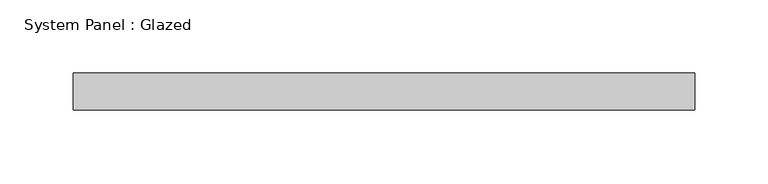
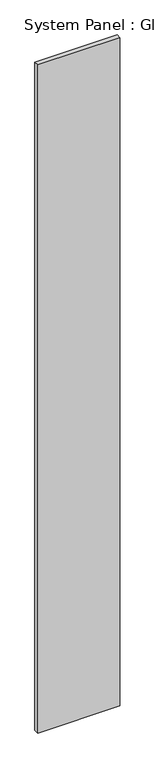
"""IFC4 building model written with IfcOpenShell, lengths in millimetres: plate geometry, System Panel : Glazed."""

import ifcopenshell
import ifcopenshell.guid

model = None  # the IFC model being written
_history = None  # IfcOwnerHistory: only IFC2X3 demands one
_inside = {}  # id of a spatial element -> (the spatial element, [elements in it])
_under = {}  # id of a project, library or spatial element -> (it, [spatial elements below it])
_declared = {}  # id of a project -> (the project, [libraries it declares])
_typed = {}  # id of a type object -> (the type object, [elements of that type])
_made_of = {}  # id of a material, layer set ... -> (it, [elements and type objects made of it])


def new_model(schema):
    """Start an empty IFC model of exactly this schema.

    Asked for "IFC4X3", IfcOpenShell would pick the latest addendum, in which some entities
    have other attributes; the version numbers below select the first issue.
    IFC2X3 requires an IfcOwnerHistory on every rooted entity: one is made here for all.
    """
    global model, _history
    if schema == "IFC4X3":
        model = ifcopenshell.file(schema_version=(4, 3, 0, 0))
    else:
        model = ifcopenshell.file(schema=schema)
    _inside.clear()
    _under.clear()
    _declared.clear()
    _typed.clear()
    _made_of.clear()
    _history = None
    if model.schema == "IFC2X3":
        org = make("IfcOrganization", Name="unknown")
        user = make(
            "IfcPersonAndOrganization",
            ThePerson=make("IfcPerson", FamilyName="unknown"),
            TheOrganization=org,
        )
        app = make(
            "IfcApplication",
            ApplicationDeveloper=org,
            Version="unknown",
            ApplicationFullName="unknown",
            ApplicationIdentifier="unknown",
        )
        _history = make(
            "IfcOwnerHistory",
            OwningUser=user,
            OwningApplication=app,
            ChangeAction="ADDED",
            CreationDate=0,
        )
    return model


def make(cls, **values):
    """One entity of the class cls with the attributes given. An attribute that is None is left unset."""
    return model.create_entity(
        cls, **{name: value for name, value in values.items() if value is not None}
    )


def rooted(cls, **values):
    """An entity with a GlobalId (a new one), such as an element, a storey or a relation."""
    return make(cls, GlobalId=ifcopenshell.guid.new(), OwnerHistory=_history, **values)


def si_unit(unit_type, name, prefix=None):
    """IfcSIUnit, for example si_unit("LENGTHUNIT", "METRE", prefix="MILLI")."""
    return make("IfcSIUnit", UnitType=unit_type, Prefix=prefix, Name=name)


def assignment(units):
    """IfcUnitAssignment: the units of a project."""
    return None if units is None else make("IfcUnitAssignment", Units=units)


def point(xyz):
    """IfcCartesianPoint."""
    return None if xyz is None else make("IfcCartesianPoint", Coordinates=xyz)


def direction(xyz):
    """IfcDirection."""
    return None if xyz is None else make("IfcDirection", DirectionRatios=xyz)


def frame(location, z_axis=None, x_axis=None):
    """IfcAxis2Placement3D, a coordinate frame: its origin and axes. An axis left out is left unset."""
    return make(
        "IfcAxis2Placement3D",
        Location=point(location),
        Axis=direction(z_axis),
        RefDirection=direction(x_axis),
    )


def origin():
    """The frame at (0, 0, 0) with its axes left unset."""
    return frame((0.0, 0.0, 0.0))


def origin_with_axes():
    """The frame at (0, 0, 0) with the z axis (0, 0, 1) and the x axis (1, 0, 0) written out."""
    return frame((0.0, 0.0, 0.0), z_axis=(0.0, 0.0, 1.0), x_axis=(1.0, 0.0, 0.0))


def place(relative_to, where):
    """IfcLocalPlacement: puts the frame where relative to a parent placement (None: the world)."""
    return make(
        "IfcLocalPlacement", PlacementRelTo=relative_to, RelativePlacement=where
    )


def context(
    kind, dimensions, precision=None, world=None, true_north=None, identifier=None
):
    """IfcGeometricRepresentationContext, for example the 3D "Model" context."""
    return make(
        "IfcGeometricRepresentationContext",
        ContextIdentifier=identifier,
        ContextType=kind,
        CoordinateSpaceDimension=dimensions,
        Precision=precision,
        WorldCoordinateSystem=world,
        TrueNorth=true_north,
    )


def project(units=None, contexts=None):
    """IfcProject with its units and contexts."""
    return rooted(
        "IfcProject",
        Name="project",
        RepresentationContexts=contexts,
        UnitsInContext=assignment(units),
    )


def spatial(cls, under=None, at=None, **own):
    """A site, building, storey or space (cls), placed at a placement, below another one or the project."""
    s = rooted(cls, ObjectPlacement=at, **own)
    if under is not None:
        _under.setdefault(under.id(), (under, []))[1].append(s)
    return s


def polyline(points):
    """IfcPolyline through the points."""
    return make("IfcPolyline", Points=[point(p) for p in points])


def outline(outer, holes=None, kind="AREA"):
    """IfcArbitraryClosedProfileDef: a profile drawn as a closed curve; with holes, ...WithVoids."""
    if holes is None:
        return make("IfcArbitraryClosedProfileDef", ProfileType=kind, OuterCurve=outer)
    return make(
        "IfcArbitraryProfileDefWithVoids",
        ProfileType=kind,
        OuterCurve=outer,
        InnerCurves=holes,
    )


def extrude(swept, where, along, depth):
    """IfcExtrudedAreaSolid: the profile swept, set in the frame where, extruded along a direction by depth."""
    return make(
        "IfcExtrudedAreaSolid",
        SweptArea=swept,
        Position=where,
        ExtrudedDirection=direction(along),
        Depth=depth,
    )


def shape(context_of_items, identifier, shape_type, items):
    """IfcShapeRepresentation: the items that make up one representation, for example the "Body"."""
    return make(
        "IfcShapeRepresentation",
        ContextOfItems=context_of_items,
        RepresentationIdentifier=identifier,
        RepresentationType=shape_type,
        Items=items,
    )


def source(mapping_origin, context_of_items, identifier, shape_type, items):
    """IfcRepresentationMap: a shape defined once, which mapped items show again and again."""
    return make(
        "IfcRepresentationMap",
        MappingOrigin=mapping_origin,
        MappedRepresentation=shape(context_of_items, identifier, shape_type, items),
    )


def transform(
    local_origin,
    x_axis=None,
    y_axis=None,
    z_axis=None,
    scale=None,
    scale2=None,
    scale3=None,
    uniform=True,
):
    """IfcCartesianTransformationOperator3D, or its non-uniform kind. x_axis, y_axis, z_axis: its Axis1, 2, 3."""
    if uniform:
        return make(
            "IfcCartesianTransformationOperator3D",
            Axis1=direction(x_axis),
            Axis2=direction(y_axis),
            LocalOrigin=point(local_origin),
            Scale=scale,
            Axis3=direction(z_axis),
        )
    return make(
        "IfcCartesianTransformationOperator3DnonUniform",
        Axis1=direction(x_axis),
        Axis2=direction(y_axis),
        LocalOrigin=point(local_origin),
        Scale=scale,
        Axis3=direction(z_axis),
        Scale2=scale2,
        Scale3=scale3,
    )


def mapped(mapping_source, mapping_target):
    """IfcMappedItem: shows the shape of a source again, moved by a transform."""
    return make(
        "IfcMappedItem", MappingSource=mapping_source, MappingTarget=mapping_target
    )


def made_of(thing, what):
    """Note that an element or type object is made of a material, layer set ...; save() writes the relation."""
    if what is not None:
        _made_of.setdefault(what.id(), (what, []))[1].append(thing)
    return thing


def element(
    cls,
    number,
    at=None,
    inside=None,
    cuts=None,
    type_object=None,
    material=None,
    context=None,
    identifier="Body",
    shape_type=None,
    held_by="IfcProductDefinitionShape",
    body=None,
    shapes=None,
    **own,
):
    """One element of the class cls, such as IfcWall. Its Tag is "e" and its number.

    at: its placement. inside: the storey or other place that contains it. cuts: it is an
    opening in that element (IfcRelVoidsElement). A single representation is given by context,
    identifier, shape_type and body (its items); several are given by shapes. held_by: the class
    of the entity that holds the representations. save() writes the other relations.
    """
    e = rooted(cls, Tag="e%d" % number, ObjectPlacement=at, **own)
    if body is not None:
        shapes = [shape(context, identifier, shape_type, body)]
    if shapes is not None:
        e.Representation = make(held_by, Representations=shapes)
    if inside is not None:
        _inside.setdefault(inside.id(), (inside, []))[1].append(e)
    if cuts is not None:
        rooted(
            "IfcRelVoidsElement", RelatingBuildingElement=cuts, RelatedOpeningElement=e
        )
    if type_object is not None:
        _typed.setdefault(type_object.id(), (type_object, []))[1].append(e)
    return made_of(e, material)


def aggregate(whole, parts):
    """IfcRelAggregates: a whole, such as a stair, and the parts it consists of."""
    return rooted("IfcRelAggregates", RelatingObject=whole, RelatedObjects=parts)


def save(model, path):
    """Write the relations noted so far, then the file.

    IfcRelAggregates (storeys below a building ...), IfcRelContainedInSpatialStructure (elements
    in a storey), IfcRelDefinesByType, IfcRelAssociatesMaterial and IfcRelDeclares: one each for
    every whole, place, type object, material and project.
    """
    for whole, parts in _under.values():
        aggregate(whole, parts)
    for where, things in _inside.values():
        rooted(
            "IfcRelContainedInSpatialStructure",
            RelatedElements=things,
            RelatingStructure=where,
        )
    for kind, things in _typed.values():
        rooted("IfcRelDefinesByType", RelatedObjects=things, RelatingType=kind)
    for what, things in _made_of.values():
        rooted("IfcRelAssociatesMaterial", RelatedObjects=things, RelatingMaterial=what)
    for by, libraries in _declared.values():
        rooted("IfcRelDeclares", RelatingContext=by, RelatedDefinitions=libraries)
    model.write(path)


def system_panel_glazed_edc0efca(model_context):
    return source(origin(), model_context, "Body", "SweptSolid", [
        extrude(outline(polyline([(212.5901184, 19.05), (-212.5901184, 19.05), (-212.5901184, 44.45), (212.5901184, 44.45), (212.5901184, 19.05)])), origin_with_axes(), (0.0, 0.0, 1.0), 3657.6),
    ])


if __name__ == "__main__":
    model = new_model("IFC4")
    model_context = context("Model", 3, world=origin())
    ifc_project = project(units=[si_unit("LENGTHUNIT", "METRE", prefix="MILLI")], contexts=[model_context])
    site = spatial("IfcSite", under=ifc_project)
    building = spatial("IfcBuilding", under=site)
    placement = place(None, origin())
    system_panel_glazed_shape = system_panel_glazed_edc0efca(model_context)
    element("IfcPlate", 1, ObjectType="System Panel : Glazed", at=placement, inside=building, context=model_context, shape_type="MappedRepresentation", body=[
        mapped(system_panel_glazed_shape, transform((0.0, 0.0, 0.0), x_axis=(1.0, 0.0, 0.0), y_axis=(0.0, 1.0, 0.0), z_axis=(0.0, 0.0, 1.0))),
    ])
    save(model, "model.ifc")
